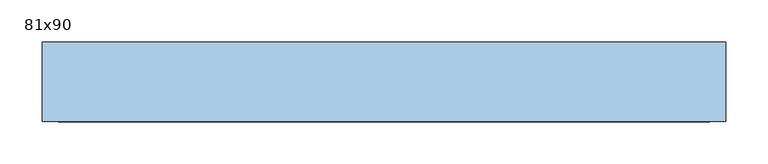
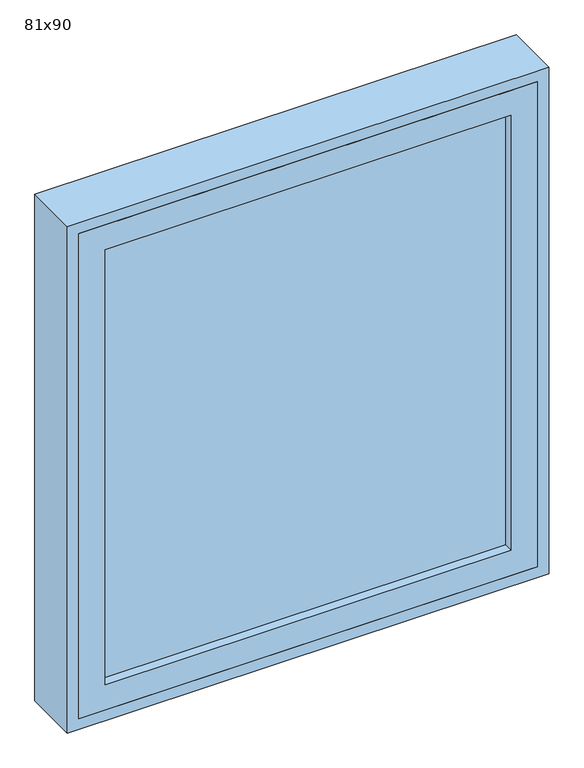
"""IFC4 building model written with IfcOpenShell, lengths in millimetres: window geometry, 81x90."""

from ifc_helpers import new_model, si_unit, frame, origin, place, context, project, spatial, polyline, outline, extrude, source, transform, mapped, element, save


def window_81x90_6ba7b190(model_context):
    return source(origin(), model_context, "Body", "SweptSolid", [
        extrude(outline(polyline([(303.4, 71.425), (-379.6, 71.425), (-379.6, 84.125), (303.4, 84.125), (303.4, 71.425)])), frame((0.0, 0.0, 977.9), z_axis=(0.0, 0.0, 1.0), x_axis=(1.0, 0.0, 0.0)), (0.0, 0.0, 1.0), 773.0),
        extrude(outline(polyline([(1795.35, -424.05), (933.45, -424.05), (933.45, 347.85), (1795.35, 347.85), (1795.35, -424.05)]), holes=[polyline([(1750.9, -379.6), (1750.9, 303.4), (977.9, 303.4), (977.9, -379.6), (1750.9, -379.6)])]), frame((0.0, 55.55, 0.0), z_axis=(0.0, 1.0, 0.0), x_axis=(0.0, 0.0, 1.0)), (0.0, 0.0, 1.0), 44.45),
        extrude(outline(polyline([(1814.4, 366.9), (1814.4, -443.1), (914.4, -443.1), (914.4, 366.9), (1814.4, 366.9)]), holes=[polyline([(1795.35, 347.85), (933.45, 347.85), (933.45, -424.05), (1795.35, -424.05), (1795.35, 347.85)])]), frame((0.0, 55.55, 0.0), z_axis=(0.0, 1.0, 0.0), x_axis=(0.0, 0.0, 1.0)), (0.0, 0.0, 1.0), 94.45),
    ])


if __name__ == "__main__":
    model = new_model("IFC4")
    model_context = context("Model", 3, world=origin())
    ifc_project = project(units=[si_unit("LENGTHUNIT", "METRE", prefix="MILLI")], contexts=[model_context])
    site = spatial("IfcSite", under=ifc_project)
    building = spatial("IfcBuilding", under=site)
    placement = place(None, origin())
    window_81x90_shape = window_81x90_6ba7b190(model_context)
    element("IfcWindow", 1, ObjectType="81x90", at=placement, inside=building, context=model_context, shape_type="MappedRepresentation", body=[
        mapped(window_81x90_shape, transform((0.0, 0.0, 0.0), x_axis=(1.0, 0.0, 0.0), y_axis=(0.0, 1.0, 0.0), z_axis=(0.0, 0.0, 1.0))),
    ])
    save(model, "model.ifc")
